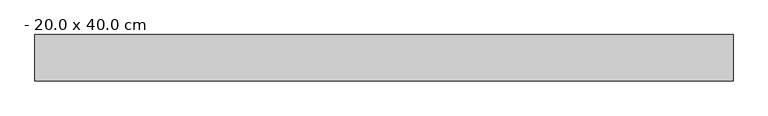
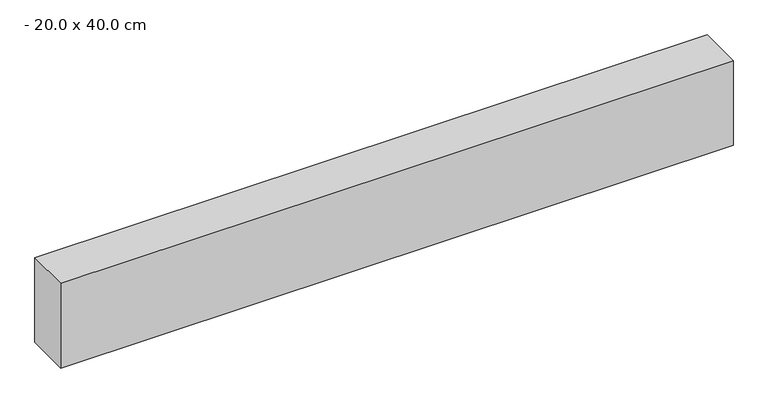
"""IFC4 building model written with IfcOpenShell, lengths in millimetres: beam geometry, - 20.0 x 40.0 cm."""

from ifc_helpers import new_model, si_unit, frame, origin, place, context, project, spatial, polyline, outline, extrude, source, transform, mapped, element, save


def beam_20_0_x_40_0_cm_237e9766(model_context):
    return source(origin(), model_context, "Body", "SweptSolid", [
        extrude(outline(polyline([(1500.0, 100.0), (1500.0, -100.0), (-1500.0, -100.0), (-1500.0, 100.0), (1500.0, 100.0)])), frame((0.0, 0.0, -200.0), z_axis=(0.0, 0.0, 1.0), x_axis=(1.0, 0.0, 0.0)), (0.0, 0.0, 1.0), 400.0),
    ])


if __name__ == "__main__":
    model = new_model("IFC4")
    model_context = context("Model", 3, world=origin())
    ifc_project = project(units=[si_unit("LENGTHUNIT", "METRE", prefix="MILLI")], contexts=[model_context])
    site = spatial("IfcSite", under=ifc_project)
    building = spatial("IfcBuilding", under=site)
    placement = place(None, origin())
    beam_20_0_x_40_0_cm_shape = beam_20_0_x_40_0_cm_237e9766(model_context)
    element("IfcBeam", 1, ObjectType="- 20.0 x 40.0 cm", at=placement, inside=building, context=model_context, shape_type="MappedRepresentation", body=[
        mapped(beam_20_0_x_40_0_cm_shape, transform((0.0, 0.0, 0.0), x_axis=(1.0, 0.0, 0.0), y_axis=(0.0, 1.0, 0.0), z_axis=(0.0, 0.0, 1.0))),
    ])
    save(model, "model.ifc")
